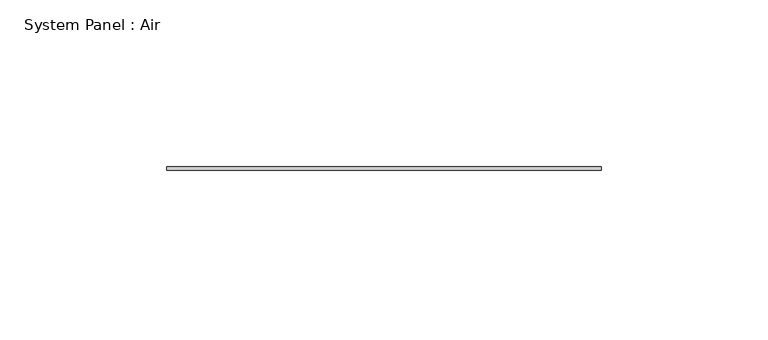
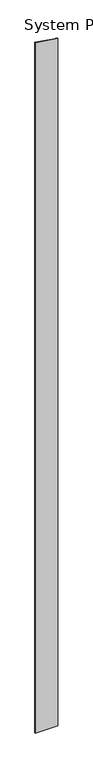
"""IFC4 building model written with IfcOpenShell, lengths in millimetres: plate geometry, System Panel : Air."""

from ifc_helpers import new_model, si_unit, frame, origin, place, context, project, spatial, polyline, outline, extrude, source, transform, mapped, element, save


def system_panel_air_93ef5941(model_context):
    return source(origin(), model_context, "Body", "SweptSolid", [
        extrude(outline(polyline([(0.0, -65.0), (0.0, 65.0), (4141.3401901, 65.0), (4160.5939843, -65.0), (0.0, -65.0)])), frame((0.0, 36.5, 0.0), z_axis=(0.0, 1.0, 0.0), x_axis=(0.0, 0.0, 1.0)), (0.0, 0.0, 1.0), 1.0),
    ])


if __name__ == "__main__":
    model = new_model("IFC4")
    model_context = context("Model", 3, world=origin())
    ifc_project = project(units=[si_unit("LENGTHUNIT", "METRE", prefix="MILLI")], contexts=[model_context])
    site = spatial("IfcSite", under=ifc_project)
    building = spatial("IfcBuilding", under=site)
    placement = place(None, origin())
    system_panel_air_shape = system_panel_air_93ef5941(model_context)
    element("IfcPlate", 1, ObjectType="System Panel : Air", at=placement, inside=building, context=model_context, shape_type="MappedRepresentation", body=[
        mapped(system_panel_air_shape, transform((0.0, 0.0, 0.0), x_axis=(1.0, 0.0, 0.0), y_axis=(0.0, 1.0, 0.0), z_axis=(0.0, 0.0, 1.0))),
    ])
    save(model, "model.ifc")
